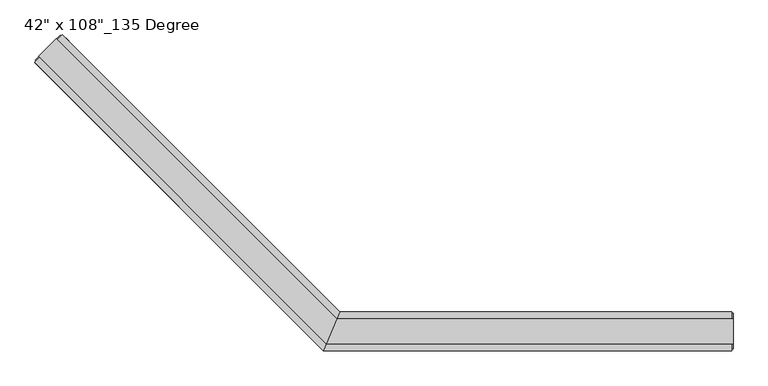
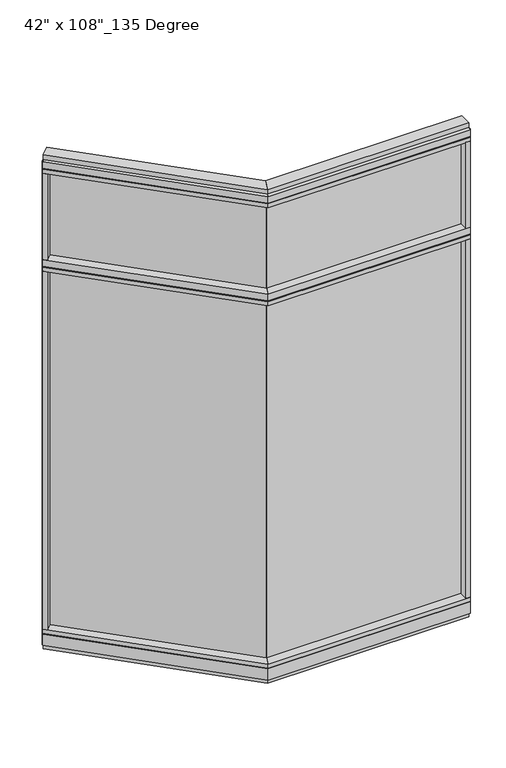
"""IFC4 building model written with IfcOpenShell, lengths in millimetres: furniture geometry."""

from ifc_helpers import new_model, si_unit, frame, origin, origin_with_axes, place, context, project, spatial, polyline, outline, extrude, faceted_brep, source, transform, mapped, element, save


def furniture_d1754f02(model_context):
    return source(origin(), model_context, "Body", "SolidModel", [
        extrude(outline(polyline([(-1296.9497875, 712.853387), (-1289.7655826, 720.0375919), (-567.3937802, -2.3342105), (-574.5779851, -9.5184154), (-1296.9497875, 712.853387)])), frame((0.0, 0.0, 2174.875), z_axis=(0.0, 0.0, 1.0), x_axis=(1.0, 0.0, 0.0)), (0.0, 0.0, 1.0), 457.2),
        extrude(outline(polyline([(-1296.9497875, 712.853387), (-1289.7655826, 720.0375919), (-567.3937802, -2.3342105), (-574.5779851, -9.5184154), (-1296.9497875, 712.853387)])), frame((0.0, 0.0, 120.523), z_axis=(0.0, 0.0, 1.0), x_axis=(1.0, 0.0, 0.0)), (0.0, 0.0, 1.0), 2013.077),
        extrude(outline(polyline([(-1273.1521087, 768.0819621), (-551.352425, 46.2822784), (-593.4365229, -55.3177216), (-1344.9941577, 696.2399131), (-1273.1521087, 768.0819621)])), frame((0.0, 0.0, 2111.375), z_axis=(0.0, 0.0, 1.0), x_axis=(1.0, 0.0, 0.0)), (0.0, 0.0, 1.0), 22.225),
        faceted_brep([(-551.352425, 46.2822784, 2138.553), (-551.352425, 46.2822784, 2174.875), (-593.4365229, -55.3177216, 2174.875), (-593.4365229, -55.3177216, 2138.553), (-591.3849232, -50.3647216, 2138.553), (-591.3849232, -50.3647216, 2133.6), (-553.4040248, 41.3292784, 2133.6), (-553.4040248, 41.3292784, 2138.553), (-1273.1521087, 768.0819621, 2138.553), (-1276.6544086, 764.5796622, 2138.553), (-1276.6544086, 764.5796622, 2133.6), (-1341.4918578, 699.742213, 2133.6), (-1341.4918578, 699.742213, 2138.553), (-1344.9941577, 696.2399131, 2138.553), (-1344.9941577, 696.2399131, 2174.875), (-1273.1521087, 768.0819621, 2174.875)], [[[0, 1, 2, 3, 4, 5, 6, 7]], [[8, 9, 10, 11, 12, 13, 14, 15]], [[8, 0, 7, 9]], [[13, 3, 2, 14]], [[14, 2, 1, 15]], [[15, 1, 0, 8]], [[9, 7, 6, 10]], [[10, 6, 5, 11]], [[11, 5, 4, 12]], [[12, 4, 3, 13]]]),
        extrude(outline(polyline([(-1329.2787095, 680.5244649), (-1344.9941577, 696.2399131), (-1273.1521087, 768.0819621), (-1257.4366605, 752.3665139), (-1329.2787095, 680.5244649)])), frame((0.0, 0.0, 2174.875), z_axis=(0.0, 0.0, 1.0), x_axis=(1.0, 0.0, 0.0)), (0.0, 0.0, 1.0), 479.425),
        extrude(outline(polyline([(-1273.1521087, 768.0819621), (-551.352425, 46.2822784), (-593.4365229, -55.3177216), (-1344.9941577, 696.2399131), (-1273.1521087, 768.0819621)])), frame((0.0, 0.0, 2654.3), z_axis=(0.0, 0.0, 1.0), x_axis=(1.0, 0.0, 0.0)), (0.0, 0.0, 1.0), 22.225),
        faceted_brep([(-551.352425, 46.2822784, 2681.478), (-551.352425, 46.2822784, 2717.8), (-593.4365229, -55.3177216, 2717.8), (-593.4365229, -55.3177216, 2681.478), (-591.3849232, -50.3647216, 2681.478), (-591.3849232, -50.3647216, 2676.525), (-553.4040248, 41.3292784, 2676.525), (-553.4040248, 41.3292784, 2681.478), (-1273.1521087, 768.0819621, 2681.478), (-1276.6544086, 764.5796622, 2681.478), (-1276.6544086, 764.5796622, 2676.525), (-1341.4918578, 699.742213, 2676.525), (-1341.4918578, 699.742213, 2681.478), (-1344.9941577, 696.2399131, 2681.478), (-1344.9941577, 696.2399131, 2717.8), (-1273.1521087, 768.0819621, 2717.8)], [[[0, 1, 2, 3, 4, 5, 6, 7]], [[8, 9, 10, 11, 12, 13, 14, 15]], [[8, 0, 7, 9]], [[13, 3, 2, 14]], [[14, 2, 1, 15]], [[15, 1, 0, 8]], [[9, 7, 6, 10]], [[10, 6, 5, 11]], [[11, 5, 4, 12]], [[12, 4, 3, 13]]]),
        extrude(outline(polyline([(-1288.867557, 757.9342727), (-558.9275626, 27.9942784), (-585.8613853, -37.0297216), (-1334.8464683, 711.9553614), (-1288.867557, 757.9342727)])), frame((0.0, 0.0, 2717.8), z_axis=(0.0, 0.0, 1.0), x_axis=(1.0, 0.0, 0.0)), (0.0, 0.0, 1.0), 25.4),
        faceted_brep([(-553.4040248, 41.3292784, 93.345), (-553.4040248, 41.3292784, 98.298), (-591.3849232, -50.3647216, 98.298), (-591.3849232, -50.3647216, 93.345), (-593.4365229, -55.3177216, 93.345), (-593.4365229, -55.3177216, 31.75), (-551.352425, 46.2822784, 31.75), (-551.352425, 46.2822784, 93.345), (-1273.1521087, 768.0819621, 93.345), (-1273.1521087, 768.0819621, 31.75), (-1344.9941577, 696.2399131, 31.75), (-1344.9941577, 696.2399131, 93.345), (-1341.4918578, 699.742213, 93.345), (-1341.4918578, 699.742213, 98.298), (-1276.6544086, 764.5796622, 98.298), (-1276.6544086, 764.5796622, 93.345)], [[[0, 1, 2, 3, 4, 5, 6, 7]], [[8, 9, 10, 11, 12, 13, 14, 15]], [[15, 0, 7, 8]], [[10, 5, 4, 11]], [[9, 6, 5, 10]], [[8, 7, 6, 9]], [[14, 1, 0, 15]], [[13, 2, 1, 14]], [[12, 3, 2, 13]], [[11, 4, 3, 12]]]),
        extrude(outline(polyline([(-1273.1521087, 768.0819621), (-551.352425, 46.2822784), (-593.4365229, -55.3177216), (-1344.9941577, 696.2399131), (-1273.1521087, 768.0819621)])), frame((0.0, 0.0, 98.298), z_axis=(0.0, 0.0, 1.0), x_axis=(1.0, 0.0, 0.0)), (0.0, 0.0, 1.0), 22.225),
        extrude(outline(polyline([(-1288.867557, 757.9342727), (-558.9275626, 27.9942784), (-585.8613853, -37.0297216), (-1334.8464683, 711.9553614), (-1288.867557, 757.9342727)])), origin_with_axes(), (0.0, 0.0, 1.0), 31.75),
        extrude(outline(polyline([(-1329.2787095, 680.5244649), (-1344.9941577, 696.2399131), (-1273.1521087, 768.0819621), (-1257.4366605, 752.3665139), (-1329.2787095, 680.5244649)])), frame((0.0, 0.0, 120.523), z_axis=(0.0, 0.0, 1.0), x_axis=(1.0, 0.0, 0.0)), (0.0, 0.0, 1.0), 1990.852),
        extrude(outline(polyline([(-1344.2757372, 702.5260924), (-1279.438288, 767.3635416), (-1276.6544086, 764.5796622), (-1341.4918578, 699.742213), (-1344.2757372, 702.5260924)])), frame((0.0, 0.0, 31.75), z_axis=(0.0, 0.0, 1.0), x_axis=(1.0, 0.0, 0.0)), (0.0, 0.0, 1.0), 2686.05),
        extrude(outline(polyline([(447.2014771, -9.5977216), (-574.3865229, -9.5977216), (-574.3865229, 0.5622784), (447.2014771, 0.5622784), (447.2014771, -9.5977216)])), frame((0.0, 0.0, 2174.875), z_axis=(0.0, 0.0, 1.0), x_axis=(1.0, 0.0, 0.0)), (0.0, 0.0, 1.0), 457.2),
        extrude(outline(polyline([(447.2014771, -9.5977216), (-574.3865229, -9.5977216), (-574.3865229, 0.5622784), (447.2014771, 0.5622784), (447.2014771, -9.5977216)])), frame((0.0, 0.0, 120.523), z_axis=(0.0, 0.0, 1.0), x_axis=(1.0, 0.0, 0.0)), (0.0, 0.0, 1.0), 2013.077),
        extrude(outline(polyline([(469.4264771, 46.2822784), (469.4264771, -55.3177216), (-593.4365229, -55.3177216), (-551.352425, 46.2822784), (469.4264771, 46.2822784)])), frame((0.0, 0.0, 2111.375), z_axis=(0.0, 0.0, 1.0), x_axis=(1.0, 0.0, 0.0)), (0.0, 0.0, 1.0), 22.225),
        faceted_brep([(-551.352425, 46.2822784, 2138.553), (-553.4040248, 41.3292784, 2138.553), (-553.4040248, 41.3292784, 2133.6), (-591.3849232, -50.3647216, 2133.6), (-591.3849232, -50.3647216, 2138.553), (-593.4365229, -55.3177216, 2138.553), (-593.4365229, -55.3177216, 2174.875), (-551.352425, 46.2822784, 2174.875), (469.4264771, 46.2822784, 2138.553), (469.4264771, 46.2822784, 2174.875), (469.4264771, -55.3177216, 2174.875), (469.4264771, -55.3177216, 2138.553), (469.4264771, -50.3647216, 2138.553), (469.4264771, -50.3647216, 2133.6), (469.4264771, 41.3292784, 2133.6), (469.4264771, 41.3292784, 2138.553)], [[[0, 1, 2, 3, 4, 5, 6, 7]], [[8, 9, 10, 11, 12, 13, 14, 15]], [[8, 15, 1, 0]], [[11, 10, 6, 5]], [[10, 9, 7, 6]], [[9, 8, 0, 7]], [[15, 14, 2, 1]], [[14, 13, 3, 2]], [[13, 12, 4, 3]], [[12, 11, 5, 4]]]),
        extrude(outline(polyline([(447.2014771, -55.3177216), (447.2014771, 46.2822784), (469.4264771, 46.2822784), (469.4264771, -55.3177216), (447.2014771, -55.3177216)])), frame((0.0, 0.0, 2174.875), z_axis=(0.0, 0.0, 1.0), x_axis=(1.0, 0.0, 0.0)), (0.0, 0.0, 1.0), 479.425),
        extrude(outline(polyline([(469.4264771, 46.2822784), (469.4264771, -55.3177216), (-593.4365229, -55.3177216), (-551.352425, 46.2822784), (469.4264771, 46.2822784)])), frame((0.0, 0.0, 2654.3), z_axis=(0.0, 0.0, 1.0), x_axis=(1.0, 0.0, 0.0)), (0.0, 0.0, 1.0), 22.225),
        faceted_brep([(-551.352425, 46.2822784, 2681.478), (-553.4040248, 41.3292784, 2681.478), (-553.4040248, 41.3292784, 2676.525), (-591.3849232, -50.3647216, 2676.525), (-591.3849232, -50.3647216, 2681.478), (-593.4365229, -55.3177216, 2681.478), (-593.4365229, -55.3177216, 2717.8), (-551.352425, 46.2822784, 2717.8), (469.4264771, 46.2822784, 2681.478), (469.4264771, 46.2822784, 2717.8), (469.4264771, -55.3177216, 2717.8), (469.4264771, -55.3177216, 2681.478), (469.4264771, -50.3647216, 2681.478), (469.4264771, -50.3647216, 2676.525), (469.4264771, 41.3292784, 2676.525), (469.4264771, 41.3292784, 2681.478)], [[[0, 1, 2, 3, 4, 5, 6, 7]], [[8, 9, 10, 11, 12, 13, 14, 15]], [[8, 15, 1, 0]], [[11, 10, 6, 5]], [[10, 9, 7, 6]], [[9, 8, 0, 7]], [[15, 14, 2, 1]], [[14, 13, 3, 2]], [[13, 12, 4, 3]], [[12, 11, 5, 4]]]),
        extrude(outline(polyline([(473.3634771, 27.9942784), (473.3634771, -37.0297216), (-585.8613853, -37.0297216), (-558.9275626, 27.9942784), (473.3634771, 27.9942784)])), frame((0.0, 0.0, 2717.8), z_axis=(0.0, 0.0, 1.0), x_axis=(1.0, 0.0, 0.0)), (0.0, 0.0, 1.0), 25.4),
        faceted_brep([(-553.4040248, 41.3292784, 93.345), (-551.352425, 46.2822784, 93.345), (-551.352425, 46.2822784, 31.75), (-593.4365229, -55.3177216, 31.75), (-593.4365229, -55.3177216, 93.345), (-591.3849232, -50.3647216, 93.345), (-591.3849232, -50.3647216, 98.298), (-553.4040248, 41.3292784, 98.298), (469.4264771, 46.2822784, 93.345), (469.4264771, 41.3292784, 93.345), (469.4264771, 41.3292784, 98.298), (469.4264771, -50.3647216, 98.298), (469.4264771, -50.3647216, 93.345), (469.4264771, -55.3177216, 93.345), (469.4264771, -55.3177216, 31.75), (469.4264771, 46.2822784, 31.75)], [[[0, 1, 2, 3, 4, 5, 6, 7]], [[8, 9, 10, 11, 12, 13, 14, 15]], [[9, 8, 1, 0]], [[14, 13, 4, 3]], [[15, 14, 3, 2]], [[8, 15, 2, 1]], [[10, 9, 0, 7]], [[11, 10, 7, 6]], [[12, 11, 6, 5]], [[13, 12, 5, 4]]]),
        extrude(outline(polyline([(469.4264771, 46.2822784), (469.4264771, -55.3177216), (-593.4365229, -55.3177216), (-551.352425, 46.2822784), (469.4264771, 46.2822784)])), frame((0.0, 0.0, 98.298), z_axis=(0.0, 0.0, 1.0), x_axis=(1.0, 0.0, 0.0)), (0.0, 0.0, 1.0), 22.225),
        extrude(outline(polyline([(473.3634771, 27.9942784), (473.3634771, -37.0297216), (-585.8613853, -37.0297216), (-558.9275626, 27.9942784), (473.3634771, 27.9942784)])), origin_with_axes(), (0.0, 0.0, 1.0), 31.75),
        extrude(outline(polyline([(447.2014771, -55.3177216), (447.2014771, 46.2822784), (469.4264771, 46.2822784), (469.4264771, -55.3177216), (447.2014771, -55.3177216)])), frame((0.0, 0.0, 120.523), z_axis=(0.0, 0.0, 1.0), x_axis=(1.0, 0.0, 0.0)), (0.0, 0.0, 1.0), 1990.852),
        extrude(outline(polyline([(473.3634771, -50.3647216), (469.4264771, -50.3647216), (469.4264771, 41.3292784), (473.3634771, 41.3292784), (473.3634771, -50.3647216)])), frame((0.0, 0.0, 31.75), z_axis=(0.0, 0.0, 1.0), x_axis=(1.0, 0.0, 0.0)), (0.0, 0.0, 1.0), 2686.05),
    ])


if __name__ == "__main__":
    model = new_model("IFC4")
    model_context = context("Model", 3, world=origin())
    ifc_project = project(units=[si_unit("LENGTHUNIT", "METRE", prefix="MILLI")], contexts=[model_context])
    site = spatial("IfcSite", under=ifc_project)
    building = spatial("IfcBuilding", under=site)
    placement = place(None, origin())
    furniture_shape = furniture_d1754f02(model_context)
    element("IfcFurniture", 1, ObjectType="42\" x 108\"_135 Degree", at=placement, inside=building, context=model_context, shape_type="MappedRepresentation", body=[
        mapped(furniture_shape, transform((0.0, 0.0, 0.0), x_axis=(1.0, 0.0, 0.0), y_axis=(0.0, 1.0, 0.0), z_axis=(0.0, 0.0, 1.0))),
    ])
    save(model, "model.ifc")
